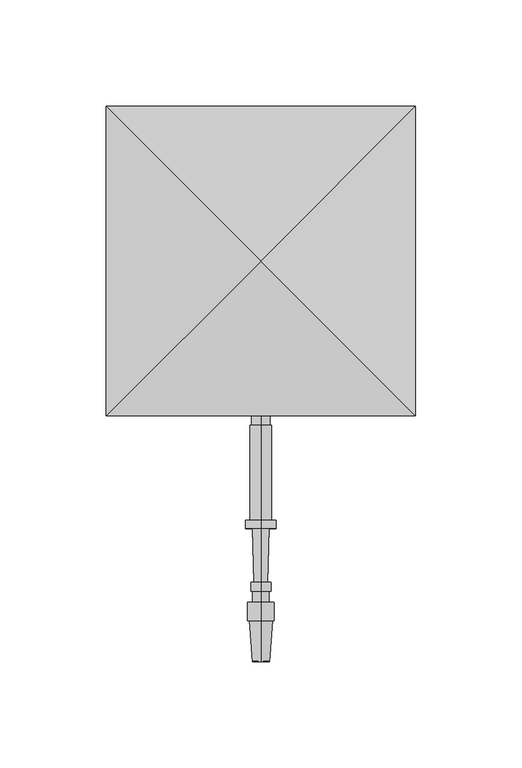
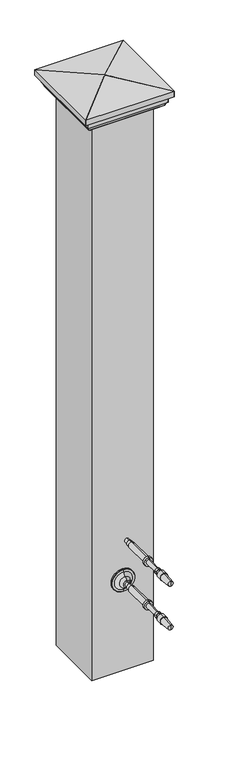
"""IFC4 building model written with IfcOpenShell, lengths in millimetres: railing geometry."""

from ifc_helpers import new_model, si_unit, point, frame, origin, place, context, project, spatial, polyline, circle_curve, ellipse_curve, trimmed, outline, extrude, source, transform, mapped, element, save
from ifc_brep_helpers import plane_surface, cylinder_surface, revolved_surface, advanced_brep


def railing_0d87ca35(model_context):
    return source(origin(), model_context, "Body", "SolidModel", [
        advanced_brep(
        [(4097.4568095, 20251.1146682, 32759.0282881), (4097.4568095, 20251.1146682, 32766.1720381), (4097.4568095, 20251.1146682, 32762.6001631), (4097.4568095, 20126.170779, 32762.6001631), (4097.4568095, 20125.8751146, 32766.6246235), (4097.4568095, 20125.8751146, 32758.5757028), (4097.4568095, 20145.2184786, 32768.045719), (4097.4568095, 20145.2184786, 32757.1546072), (4097.4568095, 20145.2184786, 32768.9386877), (4097.4568095, 20145.2184786, 32756.2616385), (4097.4568095, 20153.8505098, 32768.9386877), (4097.4568095, 20153.8505098, 32756.2616385), (4097.4568095, 20153.8505098, 32766.5574377), (4097.4568095, 20153.8505098, 32758.6428885), (4097.4568095, 20159.2083223, 32766.5574377), (4097.4568095, 20159.2083223, 32758.6428885), (4097.4568095, 20159.2083223, 32767.3511877), (4097.4568095, 20159.2083223, 32757.8491385), (4097.4568095, 20163.2762911, 32767.3511877), (4097.4568095, 20163.2762911, 32757.8491385), (4097.4568095, 20163.3203782, 32765.7643), (4097.4568095, 20163.3203782, 32759.4360262), (4097.4568095, 20188.7105814, 32766.4696944), (4097.4568095, 20188.7105814, 32758.7306319), (4097.4568095, 20188.7105814, 32769.7439131), (4097.4568095, 20188.7105814, 32755.4564131), (4097.4568095, 20192.6793314, 32769.7439131), (4097.4568095, 20192.6793314, 32755.4564131), (4097.4568095, 20192.6793314, 32767.7595381), (4097.4568095, 20192.6793314, 32757.4407881), (4097.4568095, 20237.4269877, 32767.7595381), (4097.4568095, 20237.4269877, 32757.4407881), (4097.4568095, 20237.4269877, 32766.9657881), (4097.4568095, 20237.4269877, 32758.2345381), (4097.4568095, 20243.7769877, 32766.9657881), (4097.4568095, 20243.7769877, 32758.2345381), (4097.4568095, 20243.7769877, 32766.1720381), (4097.4568095, 20243.7769877, 32759.0282881)],
        [
            (0, 1, circle_curve(frame((4097.4568095, 20251.1146682, 32762.6001631), z_axis=(0.0, 1.0, 0.0), x_axis=(0.0, 0.0, 1.0000000000000002)), 3.571875)),
            (1, 2),
            (2, 0),
            (1, 0, circle_curve(frame((4097.4568095, 20251.1146682, 32762.6001631), z_axis=(0.0, 1.0, 0.0), x_axis=(0.0, 0.0, 1.0000000000000002)), 3.571875)),
            (3, 4),
            (4, 5, circle_curve(frame((4097.4568095, 20125.8751146, 32762.6001631), z_axis=(0.0, -1.0, 0.0), x_axis=(0.0, 0.0, 1.0000000000000002)), 4.0244604)),
            (5, 3),
            (5, 4, circle_curve(frame((4097.4568095, 20125.8751146, 32762.6001631), z_axis=(0.0, -1.0, 0.0), x_axis=(0.0, 0.0, 1.0000000000000002)), 4.0244604)),
            (4, 6),
            (6, 7, circle_curve(frame((4097.4568095, 20145.2184786, 32762.6001631), z_axis=(0.0, -1.0, 0.0), x_axis=(0.0, 0.0, 1.0000000000000002)), 5.4455559)),
            (7, 5),
            (7, 6, circle_curve(frame((4097.4568095, 20145.2184786, 32762.6001631), z_axis=(0.0, -1.0, 0.0), x_axis=(0.0, 0.0, 1.0000000000000002)), 5.4455559)),
            (6, 8),
            (8, 9, circle_curve(frame((4097.4568095, 20145.2184786, 32762.6001631), z_axis=(0.0, -1.0, 0.0), x_axis=(0.0, 0.0, 1.0000000000000002)), 6.3385246)),
            (9, 7),
            (9, 8, circle_curve(frame((4097.4568095, 20145.2184786, 32762.6001631), z_axis=(0.0, -1.0, 0.0), x_axis=(0.0, 0.0, 1.0000000000000002)), 6.3385246)),
            (8, 10),
            (10, 11, circle_curve(frame((4097.4568095, 20153.8505098, 32762.6001631), z_axis=(0.0, -1.0, 0.0), x_axis=(0.0, 0.0, 1.0000000000000002)), 6.3385246)),
            (11, 9),
            (11, 10, circle_curve(frame((4097.4568095, 20153.8505098, 32762.6001631), z_axis=(0.0, -1.0, 0.0), x_axis=(0.0, 0.0, 1.0000000000000002)), 6.3385246)),
            (10, 12),
            (12, 13, circle_curve(frame((4097.4568095, 20153.8505098, 32762.6001631), z_axis=(0.0, -1.0, 0.0), x_axis=(0.0, 0.0, 1.0000000000000002)), 3.9572746)),
            (13, 11),
            (13, 12, circle_curve(frame((4097.4568095, 20153.8505098, 32762.6001631), z_axis=(0.0, -1.0, 0.0), x_axis=(0.0, 0.0, 1.0000000000000002)), 3.9572746)),
            (12, 14),
            (14, 15, circle_curve(frame((4097.4568095, 20159.2083223, 32762.6001631), z_axis=(0.0, -1.0, 0.0), x_axis=(0.0, 0.0, 1.0000000000000002)), 3.9572746)),
            (15, 13),
            (15, 14, circle_curve(frame((4097.4568095, 20159.2083223, 32762.6001631), z_axis=(0.0, -1.0, 0.0), x_axis=(0.0, 0.0, 1.0000000000000002)), 3.9572746)),
            (14, 16),
            (16, 17, circle_curve(frame((4097.4568095, 20159.2083223, 32762.6001631), z_axis=(0.0, -1.0, 0.0), x_axis=(0.0, 0.0, 1.0000000000000002)), 4.7510246)),
            (17, 15),
            (17, 16, circle_curve(frame((4097.4568095, 20159.2083223, 32762.6001631), z_axis=(0.0, -1.0, 0.0), x_axis=(0.0, 0.0, 1.0000000000000002)), 4.7510246)),
            (16, 18),
            (18, 19, circle_curve(frame((4097.4568095, 20163.2762911, 32762.6001631), z_axis=(0.0, -1.0, 0.0), x_axis=(0.0, 0.0, 1.0000000000000002)), 4.7510246)),
            (19, 17),
            (19, 18, circle_curve(frame((4097.4568095, 20163.2762911, 32762.6001631), z_axis=(0.0, -1.0, 0.0), x_axis=(0.0, 0.0, 1.0000000000000002)), 4.7510246)),
            (18, 20),
            (20, 21, circle_curve(frame((4097.4568095, 20163.3203782, 32762.6001631), z_axis=(0.0, -1.0, 0.0), x_axis=(0.0, 0.0, 1.0000000000000002)), 3.1641369)),
            (21, 19),
            (21, 20, circle_curve(frame((4097.4568095, 20163.3203782, 32762.6001631), z_axis=(0.0, -1.0, 0.0), x_axis=(0.0, 0.0, 1.0000000000000002)), 3.1641369)),
            (20, 22),
            (22, 23, circle_curve(frame((4097.4568095, 20188.7105814, 32762.6001631), z_axis=(0.0, -1.0, 0.0), x_axis=(0.0, 0.0, 1.0000000000000002)), 3.8695313)),
            (23, 21),
            (23, 22, circle_curve(frame((4097.4568095, 20188.7105814, 32762.6001631), z_axis=(0.0, -1.0, 0.0), x_axis=(0.0, 0.0, 1.0000000000000002)), 3.8695313)),
            (22, 24),
            (24, 25, circle_curve(frame((4097.4568095, 20188.7105814, 32762.6001631), z_axis=(0.0, -1.0, 0.0), x_axis=(0.0, 0.0, 1.0000000000000002)), 7.14375)),
            (25, 23),
            (25, 24, circle_curve(frame((4097.4568095, 20188.7105814, 32762.6001631), z_axis=(0.0, -1.0, 0.0), x_axis=(0.0, 0.0, 1.0000000000000002)), 7.14375)),
            (24, 26),
            (26, 27, circle_curve(frame((4097.4568095, 20192.6793314, 32762.6001631), z_axis=(0.0, -1.0, 0.0), x_axis=(0.0, 0.0, 1.0000000000000002)), 7.14375)),
            (27, 25),
            (27, 26, circle_curve(frame((4097.4568095, 20192.6793314, 32762.6001631), z_axis=(0.0, -1.0, 0.0), x_axis=(0.0, 0.0, 1.0000000000000002)), 7.14375)),
            (26, 28),
            (28, 29, circle_curve(frame((4097.4568095, 20192.6793314, 32762.6001631), z_axis=(0.0, -1.0, 0.0), x_axis=(0.0, 0.0, 1.0000000000000002)), 5.159375)),
            (29, 27),
            (29, 28, circle_curve(frame((4097.4568095, 20192.6793314, 32762.6001631), z_axis=(0.0, -1.0, 0.0), x_axis=(0.0, 0.0, 1.0000000000000002)), 5.159375)),
            (28, 30),
            (30, 31, circle_curve(frame((4097.4568095, 20237.4269877, 32762.6001631), z_axis=(0.0, -1.0, 0.0), x_axis=(0.0, 0.0, 1.0000000000000002)), 5.159375)),
            (31, 29),
            (31, 30, circle_curve(frame((4097.4568095, 20237.4269877, 32762.6001631), z_axis=(0.0, -1.0, 0.0), x_axis=(0.0, 0.0, 1.0000000000000002)), 5.159375)),
            (30, 32),
            (32, 33, circle_curve(frame((4097.4568095, 20237.4269877, 32762.6001631), z_axis=(0.0, -1.0, 0.0), x_axis=(0.0, 0.0, 1.0000000000000002)), 4.365625)),
            (33, 31),
            (33, 32, circle_curve(frame((4097.4568095, 20237.4269877, 32762.6001631), z_axis=(0.0, -1.0, 0.0), x_axis=(0.0, 0.0, 1.0000000000000002)), 4.365625)),
            (32, 34),
            (34, 35, circle_curve(frame((4097.4568095, 20243.7769877, 32762.6001631), z_axis=(0.0, -1.0, 0.0), x_axis=(0.0, 0.0, 1.0000000000000002)), 4.365625)),
            (35, 33),
            (35, 34, circle_curve(frame((4097.4568095, 20243.7769877, 32762.6001631), z_axis=(0.0, -1.0, 0.0), x_axis=(0.0, 0.0, 1.0000000000000002)), 4.365625)),
            (34, 36),
            (36, 37, circle_curve(frame((4097.4568095, 20243.7769877, 32762.6001631), z_axis=(0.0, -1.0, 0.0), x_axis=(0.0, 0.0, 1.0000000000000002)), 3.571875)),
            (37, 35),
            (37, 36, circle_curve(frame((4097.4568095, 20243.7769877, 32762.6001631), z_axis=(0.0, -1.0, 0.0), x_axis=(0.0, 0.0, 1.0000000000000002)), 3.571875)),
            (36, 1),
            (0, 37),
        ],
        [
            plane_surface(frame((4097.4568095, 20251.1146682, 32762.6001631), z_axis=(0.0, 1.0, 0.0), x_axis=(0.0, 0.0, 1.0))),
            revolved_surface(polyline([(4097.4568095, 20125.8751146, 32766.6246235), (4097.4568095, 20126.170779, 32762.6001631)]), (4097.4568095, 20126.170779, 32762.6001631), (0.0, -1.0, 0.0)),
            revolved_surface(polyline([(4097.4568095, 20145.2184786, 32768.045719), (4097.4568095, 20125.8751146, 32766.6246235)]), (4097.4568095, 20126.170779, 32762.6001631), (0.0, -1.0, 0.0)),
            plane_surface(frame((4097.4568095, 20145.2184786, 32762.6001631), z_axis=(0.0, -1.0, 0.0), x_axis=(0.0, 0.0, 1.0))),
            cylinder_surface(frame((4097.4568095, 20126.170779, 32762.6001631), z_axis=(0.0, -1.0, 0.0), x_axis=(0.0, 0.0, 1.0000000000000002)), 6.3385246),
            plane_surface(frame((4097.4568095, 20153.8505098, 32762.6001631), z_axis=(0.0, 1.0, 0.0), x_axis=(0.0, 0.0, 1.0))),
            cylinder_surface(frame((4097.4568095, 20126.170779, 32762.6001631), z_axis=(0.0, -1.0, 0.0), x_axis=(0.0, 0.0, 1.0000000000000002)), 3.9572746),
            plane_surface(frame((4097.4568095, 20159.2083223, 32762.6001631), z_axis=(0.0, -1.0, 0.0), x_axis=(0.0, 0.0, 1.0))),
            cylinder_surface(frame((4097.4568095, 20126.170779, 32762.6001631), z_axis=(0.0, -1.0, 0.0), x_axis=(0.0, 0.0, 1.0000000000000002)), 4.7510246),
            plane_surface(frame((4097.4568095, 20163.3203782, 32762.6001631), z_axis=(0.0, 1.0, 0.0), x_axis=(0.0, 0.0, 1.0))),
            revolved_surface(polyline([(4097.4568095, 20188.7105814, 32766.4696944), (4097.4568095, 20163.3203782, 32765.7643)]), (4097.4568095, 20126.170779, 32762.6001631), (0.0, -1.0, 0.0)),
            plane_surface(frame((4097.4568095, 20188.7105814, 32762.6001631), z_axis=(0.0, -1.0, 0.0), x_axis=(0.0, 0.0, 1.0))),
            cylinder_surface(frame((4097.4568095, 20126.170779, 32762.6001631), z_axis=(0.0, -1.0, 0.0), x_axis=(0.0, 0.0, 1.0000000000000002)), 7.14375),
            plane_surface(frame((4097.4568095, 20192.6793314, 32762.6001631), z_axis=(0.0, 1.0, 0.0), x_axis=(0.0, 0.0, 1.0))),
            cylinder_surface(frame((4097.4568095, 20126.170779, 32762.6001631), z_axis=(0.0, -1.0, 0.0), x_axis=(0.0, 0.0, 1.0000000000000002)), 5.159375),
            plane_surface(frame((4097.4568095, 20237.4269877, 32762.6001631), z_axis=(0.0, 1.0, 0.0), x_axis=(0.0, 0.0, 1.0))),
            cylinder_surface(frame((4097.4568095, 20126.170779, 32762.6001631), z_axis=(0.0, -1.0, 0.0), x_axis=(0.0, 0.0, 1.0000000000000002)), 4.365625),
            plane_surface(frame((4097.4568095, 20243.7769877, 32762.6001631), z_axis=(0.0, 1.0, 0.0), x_axis=(0.0, 0.0, 1.0))),
            cylinder_surface(frame((4097.4568095, 20126.170779, 32762.6001631), z_axis=(0.0, -1.0, 0.0), x_axis=(0.0, 0.0, 1.0000000000000002)), 3.571875),
        ],
        [
            (0, [[1, 2, 3]]),
            (0, [[4, -3, -2]]),
            (1, [[5, 6, 7]]),
            (1, [[-7, 8, -5]]),
            (2, [[-6, 9, 10, 11]]),
            (2, [[-8, -11, 12, -9]]),
            (3, [[-10, 13, 14, 15]]),
            (3, [[-12, -15, 16, -13]]),
            (4, [[-14, 17, 18, 19]]),
            (4, [[-16, -19, 20, -17]]),
            (5, [[-18, 21, 22, 23]]),
            (5, [[-20, -23, 24, -21]]),
            (6, [[-22, 25, 26, 27]]),
            (6, [[-24, -27, 28, -25]]),
            (7, [[-26, 29, 30, 31]]),
            (7, [[-28, -31, 32, -29]]),
            (8, [[-30, 33, 34, 35]]),
            (8, [[-32, -35, 36, -33]]),
            (9, [[-34, 37, 38, 39]]),
            (9, [[-36, -39, 40, -37]]),
            (10, [[-38, 41, 42, 43]]),
            (10, [[-40, -43, 44, -41]]),
            (11, [[-42, 45, 46, 47]]),
            (11, [[-44, -47, 48, -45]]),
            (12, [[-46, 49, 50, 51]]),
            (12, [[-48, -51, 52, -49]]),
            (13, [[-50, 53, 54, 55]]),
            (13, [[-52, -55, 56, -53]]),
            (14, [[-54, 57, 58, 59]]),
            (14, [[-56, -59, 60, -57]]),
            (15, [[-58, 61, 62, 63]]),
            (15, [[-60, -63, 64, -61]]),
            (16, [[-62, 65, 66, 67]]),
            (16, [[-64, -67, 68, -65]]),
            (17, [[-66, 69, 70, 71]]),
            (17, [[-68, -71, 72, -69]]),
            (18, [[-70, 73, -1, 74]]),
            (18, [[-72, -74, -4, -73]]),
        ],
    ),
        advanced_brep(
        [(4097.4568095, 20263.8073048, 32686.4001631), (4097.4568095, 20263.8073048, 32667.3501631), (4097.4568095, 20263.8073048, 32705.4501631), (4097.4568095, 20251.1146682, 32680.8769785), (4097.4568095, 20251.1146682, 32686.4001631), (4097.4568095, 20251.1146682, 32691.9233478), (4097.4568095, 20256.3907646, 32677.2720381), (4097.4568095, 20256.3907646, 32695.5282881), (4097.4568095, 20260.7563896, 32671.6458254), (4097.4568095, 20260.7563896, 32701.1545009), (4097.4568095, 20260.7563896, 32667.7762941), (4097.4568095, 20260.7563896, 32705.0240321), (4097.4568095, 20261.4260548, 32667.3501631), (4097.4568095, 20261.4260548, 32705.4501631)],
        [
            (0, 1),
            (1, 2, circle_curve(frame((4097.4568095, 20263.8073048, 32686.4001631), z_axis=(0.0, 1.0, 0.0), x_axis=(0.0, 0.0, 1.0)), 19.05)),
            (2, 0),
            (2, 1, circle_curve(frame((4097.4568095, 20263.8073048, 32686.4001631), z_axis=(0.0, 1.0, 0.0), x_axis=(0.0, 0.0, 1.0)), 19.05)),
            (3, 4),
            (4, 5),
            (5, 3, circle_curve(frame((4097.4568095, 20251.1146682, 32686.4001631), z_axis=(0.0, -1.0, 0.0), x_axis=(0.0, 0.0, 1.0)), 5.5231846)),
            (3, 5, circle_curve(frame((4097.4568095, 20251.1146682, 32686.4001631), z_axis=(0.0, -1.0, 0.0), x_axis=(0.0, 0.0, 1.0)), 5.5231846)),
            (6, 3, circle_curve(frame((4097.4568095, 20258.7151733, 32686.3374304), z_axis=(-1.0, 0.0, 0.0), x_axis=(0.0, -1.0, 0.0)), 9.3586438)),
            (5, 7, circle_curve(frame((4097.4568095, 20258.7151733, 32686.4628958), z_axis=(-1.0, 0.0, 0.0), x_axis=(0.0, -1.0, 0.0)), 9.3586438)),
            (7, 6, circle_curve(frame((4097.4568095, 20256.3907646, 32686.4001631), z_axis=(0.0, -1.0, 0.0), x_axis=(0.0, 0.0, 1.0)), 9.128125)),
            (6, 7, circle_curve(frame((4097.4568095, 20256.3907646, 32686.4001631), z_axis=(0.0, -1.0, 0.0), x_axis=(0.0, 0.0, 1.0)), 9.128125)),
            (8, 6, circle_curve(frame((4097.4568095, 20254.9481776, 32671.6458254), z_axis=(1.0, 0.0, 0.0), x_axis=(0.0, -1.0, 0.0)), 5.8082121)),
            (7, 9, circle_curve(frame((4097.4568095, 20254.9481776, 32701.1545009), z_axis=(1.0, 0.0, 0.0), x_axis=(0.0, -1.0, 0.0)), 5.8082121)),
            (9, 8, circle_curve(frame((4097.4568095, 20260.7563896, 32686.4001631), z_axis=(0.0, -1.0, 0.0), x_axis=(0.0, 0.0, 1.0)), 14.7543378)),
            (8, 9, circle_curve(frame((4097.4568095, 20260.7563896, 32686.4001631), z_axis=(0.0, -1.0, 0.0), x_axis=(0.0, 0.0, 1.0)), 14.7543378)),
            (10, 8),
            (9, 11),
            (11, 10, circle_curve(frame((4097.4568095, 20260.7563896, 32686.4001631), z_axis=(0.0, -1.0, 0.0), x_axis=(0.0, 0.0, 1.0)), 18.623869)),
            (10, 11, circle_curve(frame((4097.4568095, 20260.7563896, 32686.4001631), z_axis=(0.0, -1.0, 0.0), x_axis=(0.0, 0.0, 1.0)), 18.623869)),
            (12, 10),
            (11, 13),
            (13, 12, circle_curve(frame((4097.4568095, 20261.4260548, 32686.4001631), z_axis=(0.0, -1.0, 0.0), x_axis=(0.0, 0.0, 1.0)), 19.05)),
            (12, 13, circle_curve(frame((4097.4568095, 20261.4260548, 32686.4001631), z_axis=(0.0, -1.0, 0.0), x_axis=(0.0, 0.0, 1.0)), 19.05)),
            (1, 12),
            (13, 2),
        ],
        [
            plane_surface(frame((4097.4568095, 20263.8073048, 32686.4001631), z_axis=(0.0, 1.0, 0.0), x_axis=(0.0, 0.0, 1.0))),
            plane_surface(frame((4097.4568095, 20251.1146682, 32686.4001631), z_axis=(0.0, -1.0, 0.0), x_axis=(0.0, 0.0, 1.0))),
            revolved_surface(trimmed(ellipse_curve(frame((4097.4568095, 20258.7151733, 32686.4628958), z_axis=(-1.0, 0.0, 0.0), x_axis=(0.0, -1.0, 0.0)), 9.3586438, 9.3586438), [point((4097.4568095, 20251.1146682, 32691.9233478))], [point((4097.4568095, 20256.3907646, 32695.5282881))], True, "CARTESIAN"), (4097.4568095, 20263.8073048, 32686.4001631), (0.0, 1.0, 0.0)),
            revolved_surface(trimmed(ellipse_curve(frame((4097.4568095, 20254.9481776, 32701.1545009), z_axis=(1.0, 0.0, 0.0), x_axis=(0.0, -1.0, 0.0)), 5.8082121, 5.8082121), [point((4097.4568095, 20256.3907646, 32695.5282881))], [point((4097.4568095, 20260.7563896, 32701.1545009))], True, "CARTESIAN"), (4097.4568095, 20263.8073048, 32686.4001631), (0.0, 1.0, 0.0)),
            plane_surface(frame((4097.4568095, 20260.7563896, 32686.4001631), z_axis=(0.0, -1.0, 0.0), x_axis=(0.0, 0.0, 1.0))),
            revolved_surface(polyline([(4097.4568095, 20260.7563896, 32705.0240321), (4097.4568095, 20261.4260548, 32705.4501631)]), (4097.4568095, 20263.8073048, 32686.4001631), (0.0, 1.0, 0.0)),
            cylinder_surface(frame((4097.4568095, 20263.8073048, 32686.4001631), z_axis=(0.0, 1.0, 0.0), x_axis=(0.0, 0.0, 1.0)), 19.05),
        ],
        [
            (0, [[1, 2, 3]]),
            (0, [[-3, 4, -1]]),
            (1, [[5, 6, 7]]),
            (1, [[-6, -5, 8]]),
            (2, [[9, -7, 10, 11]]),
            (2, [[-10, -8, -9, 12]]),
            (3, [[13, -11, 14, 15]]),
            (3, [[-14, -12, -13, 16]]),
            (4, [[17, -15, 18, 19]]),
            (4, [[-18, -16, -17, 20]]),
            (5, [[21, -19, 22, 23]]),
            (5, [[-22, -20, -21, 24]]),
            (6, [[25, -23, 26, -2]]),
            (6, [[-26, -24, -25, -4]]),
        ],
    ),
        advanced_brep(
        [(4097.4568095, 20251.1146682, 32682.8282881), (4097.4568095, 20251.1146682, 32689.9720381), (4097.4568095, 20251.1146682, 32686.4001631), (4097.4568095, 20126.170779, 32686.4001631), (4097.4568095, 20125.8751146, 32690.4246235), (4097.4568095, 20125.8751146, 32682.3757028), (4097.4568095, 20145.2184786, 32691.845719), (4097.4568095, 20145.2184786, 32680.9546072), (4097.4568095, 20145.2184786, 32692.7386877), (4097.4568095, 20145.2184786, 32680.0616385), (4097.4568095, 20153.8505098, 32692.7386877), (4097.4568095, 20153.8505098, 32680.0616385), (4097.4568095, 20153.8505098, 32690.3574377), (4097.4568095, 20153.8505098, 32682.4428885), (4097.4568095, 20159.2083223, 32690.3574377), (4097.4568095, 20159.2083223, 32682.4428885), (4097.4568095, 20159.2083223, 32691.1511877), (4097.4568095, 20159.2083223, 32681.6491385), (4097.4568095, 20163.2762911, 32691.1511877), (4097.4568095, 20163.2762911, 32681.6491385), (4097.4568095, 20163.3203782, 32689.5643), (4097.4568095, 20163.3203782, 32683.2360262), (4097.4568095, 20188.7105814, 32690.2696944), (4097.4568095, 20188.7105814, 32682.5306319), (4097.4568095, 20188.7105814, 32693.5439131), (4097.4568095, 20188.7105814, 32679.2564131), (4097.4568095, 20192.6793314, 32693.5439131), (4097.4568095, 20192.6793314, 32679.2564131), (4097.4568095, 20192.6793314, 32691.5595381), (4097.4568095, 20192.6793314, 32681.2407881), (4097.4568095, 20237.4269877, 32691.5595381), (4097.4568095, 20237.4269877, 32681.2407881), (4097.4568095, 20237.4269877, 32690.7657881), (4097.4568095, 20237.4269877, 32682.0345381), (4097.4568095, 20243.7769877, 32690.7657881), (4097.4568095, 20243.7769877, 32682.0345381), (4097.4568095, 20243.7769877, 32689.9720381), (4097.4568095, 20243.7769877, 32682.8282881)],
        [
            (0, 1, circle_curve(frame((4097.4568095, 20251.1146682, 32686.4001631), z_axis=(0.0, 1.0, 0.0), x_axis=(0.0, 0.0, 1.0000000000000002)), 3.571875)),
            (1, 2),
            (2, 0),
            (1, 0, circle_curve(frame((4097.4568095, 20251.1146682, 32686.4001631), z_axis=(0.0, 1.0, 0.0), x_axis=(0.0, 0.0, 1.0000000000000002)), 3.571875)),
            (3, 4),
            (4, 5, circle_curve(frame((4097.4568095, 20125.8751146, 32686.4001631), z_axis=(0.0, -1.0, 0.0), x_axis=(0.0, 0.0, 1.0000000000000002)), 4.0244604)),
            (5, 3),
            (5, 4, circle_curve(frame((4097.4568095, 20125.8751146, 32686.4001631), z_axis=(0.0, -1.0, 0.0), x_axis=(0.0, 0.0, 1.0000000000000002)), 4.0244604)),
            (4, 6),
            (6, 7, circle_curve(frame((4097.4568095, 20145.2184786, 32686.4001631), z_axis=(0.0, -1.0, 0.0), x_axis=(0.0, 0.0, 1.0000000000000002)), 5.4455559)),
            (7, 5),
            (7, 6, circle_curve(frame((4097.4568095, 20145.2184786, 32686.4001631), z_axis=(0.0, -1.0, 0.0), x_axis=(0.0, 0.0, 1.0000000000000002)), 5.4455559)),
            (6, 8),
            (8, 9, circle_curve(frame((4097.4568095, 20145.2184786, 32686.4001631), z_axis=(0.0, -1.0, 0.0), x_axis=(0.0, 0.0, 1.0000000000000002)), 6.3385246)),
            (9, 7),
            (9, 8, circle_curve(frame((4097.4568095, 20145.2184786, 32686.4001631), z_axis=(0.0, -1.0, 0.0), x_axis=(0.0, 0.0, 1.0000000000000002)), 6.3385246)),
            (8, 10),
            (10, 11, circle_curve(frame((4097.4568095, 20153.8505098, 32686.4001631), z_axis=(0.0, -1.0, 0.0), x_axis=(0.0, 0.0, 1.0000000000000002)), 6.3385246)),
            (11, 9),
            (11, 10, circle_curve(frame((4097.4568095, 20153.8505098, 32686.4001631), z_axis=(0.0, -1.0, 0.0), x_axis=(0.0, 0.0, 1.0000000000000002)), 6.3385246)),
            (10, 12),
            (12, 13, circle_curve(frame((4097.4568095, 20153.8505098, 32686.4001631), z_axis=(0.0, -1.0, 0.0), x_axis=(0.0, 0.0, 1.0000000000000002)), 3.9572746)),
            (13, 11),
            (13, 12, circle_curve(frame((4097.4568095, 20153.8505098, 32686.4001631), z_axis=(0.0, -1.0, 0.0), x_axis=(0.0, 0.0, 1.0000000000000002)), 3.9572746)),
            (12, 14),
            (14, 15, circle_curve(frame((4097.4568095, 20159.2083223, 32686.4001631), z_axis=(0.0, -1.0, 0.0), x_axis=(0.0, 0.0, 1.0000000000000002)), 3.9572746)),
            (15, 13),
            (15, 14, circle_curve(frame((4097.4568095, 20159.2083223, 32686.4001631), z_axis=(0.0, -1.0, 0.0), x_axis=(0.0, 0.0, 1.0000000000000002)), 3.9572746)),
            (14, 16),
            (16, 17, circle_curve(frame((4097.4568095, 20159.2083223, 32686.4001631), z_axis=(0.0, -1.0, 0.0), x_axis=(0.0, 0.0, 1.0000000000000002)), 4.7510246)),
            (17, 15),
            (17, 16, circle_curve(frame((4097.4568095, 20159.2083223, 32686.4001631), z_axis=(0.0, -1.0, 0.0), x_axis=(0.0, 0.0, 1.0000000000000002)), 4.7510246)),
            (16, 18),
            (18, 19, circle_curve(frame((4097.4568095, 20163.2762911, 32686.4001631), z_axis=(0.0, -1.0, 0.0), x_axis=(0.0, 0.0, 1.0000000000000002)), 4.7510246)),
            (19, 17),
            (19, 18, circle_curve(frame((4097.4568095, 20163.2762911, 32686.4001631), z_axis=(0.0, -1.0, 0.0), x_axis=(0.0, 0.0, 1.0000000000000002)), 4.7510246)),
            (18, 20),
            (20, 21, circle_curve(frame((4097.4568095, 20163.3203782, 32686.4001631), z_axis=(0.0, -1.0, 0.0), x_axis=(0.0, 0.0, 1.0000000000000002)), 3.1641369)),
            (21, 19),
            (21, 20, circle_curve(frame((4097.4568095, 20163.3203782, 32686.4001631), z_axis=(0.0, -1.0, 0.0), x_axis=(0.0, 0.0, 1.0000000000000002)), 3.1641369)),
            (20, 22),
            (22, 23, circle_curve(frame((4097.4568095, 20188.7105814, 32686.4001631), z_axis=(0.0, -1.0, 0.0), x_axis=(0.0, 0.0, 1.0000000000000002)), 3.8695313)),
            (23, 21),
            (23, 22, circle_curve(frame((4097.4568095, 20188.7105814, 32686.4001631), z_axis=(0.0, -1.0, 0.0), x_axis=(0.0, 0.0, 1.0000000000000002)), 3.8695313)),
            (22, 24),
            (24, 25, circle_curve(frame((4097.4568095, 20188.7105814, 32686.4001631), z_axis=(0.0, -1.0, 0.0), x_axis=(0.0, 0.0, 1.0000000000000002)), 7.14375)),
            (25, 23),
            (25, 24, circle_curve(frame((4097.4568095, 20188.7105814, 32686.4001631), z_axis=(0.0, -1.0, 0.0), x_axis=(0.0, 0.0, 1.0000000000000002)), 7.14375)),
            (24, 26),
            (26, 27, circle_curve(frame((4097.4568095, 20192.6793314, 32686.4001631), z_axis=(0.0, -1.0, 0.0), x_axis=(0.0, 0.0, 1.0000000000000002)), 7.14375)),
            (27, 25),
            (27, 26, circle_curve(frame((4097.4568095, 20192.6793314, 32686.4001631), z_axis=(0.0, -1.0, 0.0), x_axis=(0.0, 0.0, 1.0000000000000002)), 7.14375)),
            (26, 28),
            (28, 29, circle_curve(frame((4097.4568095, 20192.6793314, 32686.4001631), z_axis=(0.0, -1.0, 0.0), x_axis=(0.0, 0.0, 1.0000000000000002)), 5.159375)),
            (29, 27),
            (29, 28, circle_curve(frame((4097.4568095, 20192.6793314, 32686.4001631), z_axis=(0.0, -1.0, 0.0), x_axis=(0.0, 0.0, 1.0000000000000002)), 5.159375)),
            (28, 30),
            (30, 31, circle_curve(frame((4097.4568095, 20237.4269877, 32686.4001631), z_axis=(0.0, -1.0, 0.0), x_axis=(0.0, 0.0, 1.0000000000000002)), 5.159375)),
            (31, 29),
            (31, 30, circle_curve(frame((4097.4568095, 20237.4269877, 32686.4001631), z_axis=(0.0, -1.0, 0.0), x_axis=(0.0, 0.0, 1.0000000000000002)), 5.159375)),
            (30, 32),
            (32, 33, circle_curve(frame((4097.4568095, 20237.4269877, 32686.4001631), z_axis=(0.0, -1.0, 0.0), x_axis=(0.0, 0.0, 1.0000000000000002)), 4.365625)),
            (33, 31),
            (33, 32, circle_curve(frame((4097.4568095, 20237.4269877, 32686.4001631), z_axis=(0.0, -1.0, 0.0), x_axis=(0.0, 0.0, 1.0000000000000002)), 4.365625)),
            (32, 34),
            (34, 35, circle_curve(frame((4097.4568095, 20243.7769877, 32686.4001631), z_axis=(0.0, -1.0, 0.0), x_axis=(0.0, 0.0, 1.0000000000000002)), 4.365625)),
            (35, 33),
            (35, 34, circle_curve(frame((4097.4568095, 20243.7769877, 32686.4001631), z_axis=(0.0, -1.0, 0.0), x_axis=(0.0, 0.0, 1.0000000000000002)), 4.365625)),
            (34, 36),
            (36, 37, circle_curve(frame((4097.4568095, 20243.7769877, 32686.4001631), z_axis=(0.0, -1.0, 0.0), x_axis=(0.0, 0.0, 1.0000000000000002)), 3.571875)),
            (37, 35),
            (37, 36, circle_curve(frame((4097.4568095, 20243.7769877, 32686.4001631), z_axis=(0.0, -1.0, 0.0), x_axis=(0.0, 0.0, 1.0000000000000002)), 3.571875)),
            (36, 1),
            (0, 37),
        ],
        [
            plane_surface(frame((4097.4568095, 20251.1146682, 32686.4001631), z_axis=(0.0, 1.0, 0.0), x_axis=(0.0, 0.0, 1.0))),
            revolved_surface(polyline([(4097.4568095, 20125.8751146, 32690.4246235), (4097.4568095, 20126.170779, 32686.4001631)]), (4097.4568095, 20126.170779, 32686.4001631), (0.0, -1.0, 0.0)),
            revolved_surface(polyline([(4097.4568095, 20145.2184786, 32691.845719), (4097.4568095, 20125.8751146, 32690.4246235)]), (4097.4568095, 20126.170779, 32686.4001631), (0.0, -1.0, 0.0)),
            plane_surface(frame((4097.4568095, 20145.2184786, 32686.4001631), z_axis=(0.0, -1.0, 0.0), x_axis=(0.0, 0.0, 1.0))),
            cylinder_surface(frame((4097.4568095, 20126.170779, 32686.4001631), z_axis=(0.0, -1.0, 0.0), x_axis=(0.0, 0.0, 1.0000000000000002)), 6.3385246),
            plane_surface(frame((4097.4568095, 20153.8505098, 32686.4001631), z_axis=(0.0, 1.0, 0.0), x_axis=(0.0, 0.0, 1.0))),
            cylinder_surface(frame((4097.4568095, 20126.170779, 32686.4001631), z_axis=(0.0, -1.0, 0.0), x_axis=(0.0, 0.0, 1.0000000000000002)), 3.9572746),
            plane_surface(frame((4097.4568095, 20159.2083223, 32686.4001631), z_axis=(0.0, -1.0, 0.0), x_axis=(0.0, 0.0, 1.0))),
            cylinder_surface(frame((4097.4568095, 20126.170779, 32686.4001631), z_axis=(0.0, -1.0, 0.0), x_axis=(0.0, 0.0, 1.0000000000000002)), 4.7510246),
            plane_surface(frame((4097.4568095, 20163.3203782, 32686.4001631), z_axis=(0.0, 1.0, 0.0), x_axis=(0.0, 0.0, 1.0))),
            revolved_surface(polyline([(4097.4568095, 20188.7105814, 32690.2696944), (4097.4568095, 20163.3203782, 32689.5643)]), (4097.4568095, 20126.170779, 32686.4001631), (0.0, -1.0, 0.0)),
            plane_surface(frame((4097.4568095, 20188.7105814, 32686.4001631), z_axis=(0.0, -1.0, 0.0), x_axis=(0.0, 0.0, 1.0))),
            cylinder_surface(frame((4097.4568095, 20126.170779, 32686.4001631), z_axis=(0.0, -1.0, 0.0), x_axis=(0.0, 0.0, 1.0000000000000002)), 7.14375),
            plane_surface(frame((4097.4568095, 20192.6793314, 32686.4001631), z_axis=(0.0, 1.0, 0.0), x_axis=(0.0, 0.0, 1.0))),
            cylinder_surface(frame((4097.4568095, 20126.170779, 32686.4001631), z_axis=(0.0, -1.0, 0.0), x_axis=(0.0, 0.0, 1.0000000000000002)), 5.159375),
            plane_surface(frame((4097.4568095, 20237.4269877, 32686.4001631), z_axis=(0.0, 1.0, 0.0), x_axis=(0.0, 0.0, 1.0))),
            cylinder_surface(frame((4097.4568095, 20126.170779, 32686.4001631), z_axis=(0.0, -1.0, 0.0), x_axis=(0.0, 0.0, 1.0000000000000002)), 4.365625),
            plane_surface(frame((4097.4568095, 20243.7769877, 32686.4001631), z_axis=(0.0, 1.0, 0.0), x_axis=(0.0, 0.0, 1.0))),
            cylinder_surface(frame((4097.4568095, 20126.170779, 32686.4001631), z_axis=(0.0, -1.0, 0.0), x_axis=(0.0, 0.0, 1.0000000000000002)), 3.571875),
        ],
        [
            (0, [[1, 2, 3]]),
            (0, [[4, -3, -2]]),
            (1, [[5, 6, 7]]),
            (1, [[-7, 8, -5]]),
            (2, [[-6, 9, 10, 11]]),
            (2, [[-8, -11, 12, -9]]),
            (3, [[-10, 13, 14, 15]]),
            (3, [[-12, -15, 16, -13]]),
            (4, [[-14, 17, 18, 19]]),
            (4, [[-16, -19, 20, -17]]),
            (5, [[-18, 21, 22, 23]]),
            (5, [[-20, -23, 24, -21]]),
            (6, [[-22, 25, 26, 27]]),
            (6, [[-24, -27, 28, -25]]),
            (7, [[-26, 29, 30, 31]]),
            (7, [[-28, -31, 32, -29]]),
            (8, [[-30, 33, 34, 35]]),
            (8, [[-32, -35, 36, -33]]),
            (9, [[-34, 37, 38, 39]]),
            (9, [[-36, -39, 40, -37]]),
            (10, [[-38, 41, 42, 43]]),
            (10, [[-40, -43, 44, -41]]),
            (11, [[-42, 45, 46, 47]]),
            (11, [[-44, -47, 48, -45]]),
            (12, [[-46, 49, 50, 51]]),
            (12, [[-48, -51, 52, -49]]),
            (13, [[-50, 53, 54, 55]]),
            (13, [[-52, -55, 56, -53]]),
            (14, [[-54, 57, 58, 59]]),
            (14, [[-56, -59, 60, -57]]),
            (15, [[-58, 61, 62, 63]]),
            (15, [[-60, -63, 64, -61]]),
            (16, [[-62, 65, 66, 67]]),
            (16, [[-64, -67, 68, -65]]),
            (17, [[-66, 69, 70, 71]]),
            (17, [[-68, -71, 72, -69]]),
            (18, [[-70, 73, -1, 74]]),
            (18, [[-72, -74, -4, -73]]),
        ],
    ),
        extrude(outline(polyline([(4046.6568095, 20365.424604), (4148.2568095, 20365.424604), (4148.2568095, 20263.824604), (4046.6568095, 20263.824604), (4046.6568095, 20365.424604)])), frame((0.0, 0.0, 32527.3789062), z_axis=(0.0, 0.0, 1.0), x_axis=(1.0, 0.0, 0.0)), (0.0, 0.0, 1.0), 965.2),
        advanced_brep(
        [(4170.4818095, 20387.649604, 33527.5039062), (4097.4568095, 20314.624604, 33537.0289063), (4170.4818095, 20241.599604, 33527.5039062), (4170.4818095, 20387.649604, 33517.9789062), (4170.4818095, 20241.599604, 33517.9789062), (4164.1318095, 20381.299604, 33517.9789062), (4164.1318095, 20247.949604, 33517.9789062), (4164.1318095, 20381.299604, 33506.8203026), (4164.1318095, 20247.949604, 33506.8203026), (4160.4607158, 20377.6285103, 33500.5164062), (4160.4607158, 20251.6206978, 33500.5164062), (4157.2857158, 20374.4535103, 33500.5164062), (4157.2857158, 20254.7956978, 33500.5164062), (4150.9357158, 20368.1035103, 33494.1664062), (4150.9357158, 20261.1456978, 33494.1664062), (4150.9357158, 20368.1035103, 33492.5789063), (4150.9357158, 20261.1456978, 33492.5789063), (4097.4568095, 20314.624604, 33492.5789063)],
        [
            (0, 1),
            (1, 2),
            (2, 0),
            (3, 0),
            (2, 4),
            (4, 3),
            (5, 3),
            (4, 6),
            (6, 5),
            (7, 5),
            (6, 8),
            (8, 7),
            (9, 7, ellipse_curve(frame((4173.1607158, 20390.3285103, 33497.3414063), z_axis=(-0.7071067811865447, 0.7071067811865505, 0.0), x_axis=(0.7071067811865505, 0.7071067811865446, 0.0)), 18.5132723, 13.0908604)),
            (8, 10, ellipse_curve(frame((4173.1607158, 20238.9206978, 33497.3414063), z_axis=(-0.7071067811865513, -0.7071067811865437, 0.0), x_axis=(-0.7071067811865436, 0.7071067811865513, 0.0)), 18.5132723, 13.0908604)),
            (10, 9),
            (11, 9),
            (10, 12),
            (12, 11),
            (13, 11, ellipse_curve(frame((4150.9357158, 20368.1035103, 33500.5164062), z_axis=(0.7071067811865447, -0.7071067811865505, 0.0), x_axis=(-0.7071067811865505, -0.7071067811865446, 0.0)), 8.9802561, 6.35)),
            (12, 14, ellipse_curve(frame((4150.9357158, 20261.1456978, 33500.5164062), z_axis=(0.7071067811865513, 0.7071067811865437, 0.0), x_axis=(0.7071067811865436, -0.7071067811865513, 0.0)), 8.9802561, 6.35)),
            (14, 13),
            (15, 13),
            (14, 16),
            (16, 15),
            (17, 15),
            (16, 17),
            (17, 1),
        ],
        [
            plane_surface(frame((4170.4818095, 20197.4228953, 33527.5039062), z_axis=(0.12933918406775016, 0.0, 0.9916004111862241), x_axis=(0.0, 1.0, 0.0))),
            plane_surface(frame((4170.4818095, 20197.4228953, 33517.9789062), z_axis=(1.0, 0.0, 0.0), x_axis=(0.0, 1.0, 0.0))),
            plane_surface(frame((4164.1318095, 20197.4228953, 33517.9789062), z_axis=(0.0, 0.0, -1.0), x_axis=(0.0, 1.0, 0.0))),
            plane_surface(frame((4164.1318095, 20197.4228953, 33506.8203026), z_axis=(1.0, 0.0, 0.0), x_axis=(0.0, 1.0, 0.0))),
            revolved_surface(polyline([(4160.0698554, 20403.419370685286, 33497.3414063), (4160.0698554, 20225.829837414716, 33497.3414063)]), (4173.1607158, 20423.9181834, 33497.3414063), (0.0, 1.0, 0.0)),
            plane_surface(frame((4157.2857158, 20197.4228953, 33500.5164062), z_axis=(0.0, 0.0, -1.0), x_axis=(0.0, 1.0, 0.0))),
            cylinder_surface(frame((4150.9357158, 20423.9181834, 33500.5164062), z_axis=(0.0, -1.0, 0.0), x_axis=(-1.0, 0.0, 0.0)), 6.35),
            plane_surface(frame((4150.9357158, 20197.4228953, 33492.5789063), z_axis=(1.0, 0.0, 0.0), x_axis=(0.0, 1.0, 0.0))),
            plane_surface(frame((4097.4568095, 20197.4228953, 33492.5789063), z_axis=(0.0, 0.0, -1.0), x_axis=(0.0, 1.0, 0.0))),
            plane_surface(frame((4097.4568095, 20314.624604, 33721.1789063), z_axis=(-0.7071067811865447, 0.7071067811865505, 0.0), x_axis=(0.0, 0.0, -1.0))),
            plane_surface(frame((4230.8068095, 20181.274604, 33721.1789063), z_axis=(-0.7071067811865513, -0.7071067811865437, 0.0), x_axis=(0.0, 0.0, -1.0))),
        ],
        [
            (0, [[1, 2, 3]]),
            (1, [[4, -3, 5, 6]]),
            (2, [[7, -6, 8, 9]]),
            (3, [[10, -9, 11, 12]]),
            (4, [[13, -12, 14, 15]]),
            (5, [[16, -15, 17, 18]]),
            (6, [[19, -18, 20, 21]]),
            (7, [[22, -21, 23, 24]]),
            (8, [[25, -24, 26]]),
            (9, [[-1, -4, -7, -10, -13, -16, -19, -22, -25, 27]]),
            (10, [[-2, -27, -26, -23, -20, -17, -14, -11, -8, -5]]),
        ],
    ),
        advanced_brep(
        [(4097.4568095, 20314.624604, 33537.0289063), (4024.4318095, 20387.649604, 33527.5039062), (4024.4318095, 20241.599604, 33527.5039062), (4024.4318095, 20387.649604, 33517.9789062), (4024.4318095, 20241.599604, 33517.9789062), (4030.7818095, 20381.299604, 33517.9789062), (4030.7818095, 20247.949604, 33517.9789062), (4030.7818095, 20381.299604, 33506.8203026), (4030.7818095, 20247.949604, 33506.8203026), (4034.4529033, 20377.6285103, 33500.5164062), (4034.4529033, 20251.6206978, 33500.5164062), (4037.6279033, 20374.4535103, 33500.5164062), (4037.6279033, 20254.7956978, 33500.5164062), (4043.9779033, 20368.1035103, 33494.1664062), (4043.9779033, 20261.1456978, 33494.1664062), (4043.9779033, 20368.1035103, 33492.5789063), (4043.9779033, 20261.1456978, 33492.5789063), (4097.4568095, 20314.624604, 33492.5789063)],
        [
            (0, 1),
            (1, 2),
            (2, 0),
            (1, 3),
            (3, 4),
            (4, 2),
            (3, 5),
            (5, 6),
            (6, 4),
            (5, 7),
            (7, 8),
            (8, 6),
            (7, 9, ellipse_curve(frame((4021.7529033, 20390.3285103, 33497.3414063), z_axis=(0.7071067811865513, 0.7071067811865437, 0.0), x_axis=(-0.7071067811865436, 0.7071067811865513, 0.0)), 18.5132723, 13.0908604)),
            (9, 10),
            (10, 8, ellipse_curve(frame((4021.7529033, 20238.9206978, 33497.3414063), z_axis=(0.7071067811865447, -0.7071067811865503, 0.0), x_axis=(0.7071067811865502, 0.7071067811865447, 0.0)), 18.5132723, 13.0908604)),
            (9, 11),
            (11, 12),
            (12, 10),
            (11, 13, ellipse_curve(frame((4043.9779033, 20368.1035103, 33500.5164062), z_axis=(-0.7071067811865513, -0.7071067811865437, 0.0), x_axis=(0.7071067811865436, -0.7071067811865513, 0.0)), 8.9802561, 6.35)),
            (13, 14),
            (14, 12, ellipse_curve(frame((4043.9779033, 20261.1456978, 33500.5164062), z_axis=(-0.7071067811865447, 0.7071067811865503, 0.0), x_axis=(-0.7071067811865502, -0.7071067811865447, 0.0)), 8.9802561, 6.35)),
            (13, 15),
            (15, 16),
            (16, 14),
            (15, 17),
            (17, 16),
            (0, 17),
        ],
        [
            plane_surface(frame((4097.4568095, 20197.4228953, 33537.0289063), z_axis=(-0.12933918406778996, 0.0, 0.9916004111862189), x_axis=(0.0, 1.0, 0.0))),
            plane_surface(frame((4024.4318095, 20197.4228953, 33527.5039062), z_axis=(-1.0, 0.0, 0.0), x_axis=(0.0, 1.0, 0.0))),
            plane_surface(frame((4024.4318095, 20197.4228953, 33517.9789062), z_axis=(0.0, 0.0, -1.0), x_axis=(0.0, 1.0, 0.0))),
            plane_surface(frame((4030.7818095, 20197.4228953, 33517.9789062), z_axis=(-1.0, 0.0, 0.0), x_axis=(0.0, 1.0, 0.0))),
            revolved_surface(polyline([(4034.8437637, 20403.419370685286, 33497.3414063), (4034.8437637, 20225.829837414716, 33497.3414063)]), (4021.7529033, 20423.9181834, 33497.3414063), (0.0, 1.0, 0.0)),
            plane_surface(frame((4034.4529033, 20197.4228953, 33500.5164062), z_axis=(0.0, 0.0, -1.0), x_axis=(0.0, 1.0, 0.0))),
            cylinder_surface(frame((4043.9779033, 20423.9181834, 33500.5164062), z_axis=(0.0, -1.0, 0.0), x_axis=(1.0, 0.0, 0.0)), 6.35),
            plane_surface(frame((4043.9779033, 20197.4228953, 33494.1664062), z_axis=(-1.0, 0.0, 0.0), x_axis=(0.0, 1.0, 0.0))),
            plane_surface(frame((4043.9779033, 20197.4228953, 33492.5789063), z_axis=(0.0, 0.0, -1.0), x_axis=(0.0, 1.0, 0.0))),
            plane_surface(frame((3988.1632302, 20423.9181834, 33721.1789063), z_axis=(0.7071067811865513, 0.7071067811865437, 0.0), x_axis=(0.0, 0.0, -1.0))),
            plane_surface(frame((4097.4568095, 20314.624604, 33721.1789063), z_axis=(0.7071067811865447, -0.7071067811865503, 0.0), x_axis=(0.0, 0.0, -1.0))),
        ],
        [
            (0, [[1, 2, 3]]),
            (1, [[4, 5, 6, -2]]),
            (2, [[7, 8, 9, -5]]),
            (3, [[10, 11, 12, -8]]),
            (4, [[13, 14, 15, -11]]),
            (5, [[16, 17, 18, -14]]),
            (6, [[19, 20, 21, -17]]),
            (7, [[22, 23, 24, -20]]),
            (8, [[25, 26, -23]]),
            (9, [[-1, 27, -25, -22, -19, -16, -13, -10, -7, -4]]),
            (10, [[-3, -6, -9, -12, -15, -18, -21, -24, -26, -27]]),
        ],
    ),
        advanced_brep(
        [(4097.4568095, 20314.624604, 33537.0289063), (4170.4818095, 20387.649604, 33527.5039062), (4024.4318095, 20387.649604, 33527.5039062), (4170.4818095, 20387.649604, 33517.9789062), (4024.4318095, 20387.649604, 33517.9789062), (4164.1318095, 20381.299604, 33517.9789062), (4030.7818095, 20381.299604, 33517.9789062), (4164.1318095, 20381.299604, 33506.8203026), (4030.7818095, 20381.299604, 33506.8203026), (4160.4607158, 20377.6285103, 33500.5164062), (4034.4529033, 20377.6285103, 33500.5164062), (4157.2857158, 20374.4535103, 33500.5164062), (4037.6279033, 20374.4535103, 33500.5164062), (4150.9357158, 20368.1035103, 33494.1664062), (4043.9779033, 20368.1035103, 33494.1664062), (4150.9357158, 20368.1035103, 33492.5789063), (4043.9779033, 20368.1035103, 33492.5789063), (4097.4568095, 20314.624604, 33492.5789063)],
        [
            (0, 1),
            (1, 2),
            (2, 0),
            (1, 3),
            (3, 4),
            (4, 2),
            (3, 5),
            (5, 6),
            (6, 4),
            (5, 7),
            (7, 8),
            (8, 6),
            (7, 9, ellipse_curve(frame((4173.1607158, 20390.3285103, 33497.3414063), z_axis=(0.7071067811865449, -0.7071067811865502, 0.0), x_axis=(-0.70710678118655, -0.7071067811865449, 0.0)), 18.5132723, 13.0908604)),
            (9, 10),
            (10, 8, ellipse_curve(frame((4021.7529033, 20390.3285103, 33497.3414063), z_axis=(-0.7071067811865512, -0.7071067811865438, 0.0), x_axis=(-0.7071067811865438, 0.7071067811865512, 0.0)), 18.5132723, 13.0908604)),
            (9, 11),
            (11, 12),
            (12, 10),
            (11, 13, ellipse_curve(frame((4150.9357158, 20368.1035103, 33500.5164062), z_axis=(-0.7071067811865449, 0.7071067811865502, 0.0), x_axis=(0.70710678118655, 0.7071067811865449, 0.0)), 8.9802561, 6.35)),
            (13, 14),
            (14, 12, ellipse_curve(frame((4043.9779033, 20368.1035103, 33500.5164062), z_axis=(0.7071067811865512, 0.7071067811865438, 0.0), x_axis=(0.7071067811865438, -0.7071067811865512, 0.0)), 8.9802561, 6.35)),
            (13, 15),
            (15, 16),
            (16, 14),
            (15, 17),
            (17, 16),
            (0, 17),
        ],
        [
            plane_surface(frame((4214.6585182, 20387.649604, 33527.5039062), z_axis=(0.0, 0.1293391840677701, 0.9916004111862214), x_axis=(-1.0, 0.0, 0.0))),
            plane_surface(frame((4214.6585182, 20387.649604, 33517.9789062), z_axis=(0.0, 1.0, 0.0), x_axis=(-1.0, 0.0, 0.0))),
            plane_surface(frame((4214.6585182, 20381.299604, 33517.9789062), z_axis=(0.0, 0.0, -1.0), x_axis=(-1.0, 0.0, 0.0))),
            plane_surface(frame((4214.6585182, 20381.299604, 33506.8203026), z_axis=(0.0, 1.0, 0.0), x_axis=(-1.0, 0.0, 0.0))),
            revolved_surface(polyline([(4008.662042914717, 20377.237649900002, 33497.3414063), (4186.251576185283, 20377.237649900002, 33497.3414063)]), (3988.1632302, 20390.3285103, 33497.3414063), (-1.0, 0.0, 0.0)),
            plane_surface(frame((4214.6585182, 20374.4535103, 33500.5164062), z_axis=(0.0, 0.0, -1.0), x_axis=(-1.0, 0.0, 0.0))),
            cylinder_surface(frame((3988.1632302, 20368.1035103, 33500.5164062), z_axis=(1.0, 0.0, 0.0), x_axis=(0.0, -1.0, 0.0)), 6.35),
            plane_surface(frame((4214.6585182, 20368.1035103, 33492.5789063), z_axis=(0.0, 1.0, 0.0), x_axis=(-1.0, 0.0, 0.0))),
            plane_surface(frame((4214.6585182, 20314.624604, 33492.5789063), z_axis=(0.0, 0.0, -1.0), x_axis=(-1.0, 0.0, 0.0))),
            plane_surface(frame((4214.6585182, 20431.8263127, 33721.1789063), z_axis=(0.7071067811865449, -0.7071067811865502, 0.0), x_axis=(0.0, 0.0, -1.0))),
            plane_surface(frame((4097.4568095, 20314.624604, 33721.1789063), z_axis=(-0.7071067811865512, -0.7071067811865438, 0.0), x_axis=(0.0, 0.0, -1.0))),
        ],
        [
            (0, [[1, 2, 3]]),
            (1, [[4, 5, 6, -2]]),
            (2, [[7, 8, 9, -5]]),
            (3, [[10, 11, 12, -8]]),
            (4, [[13, 14, 15, -11]]),
            (5, [[16, 17, 18, -14]]),
            (6, [[19, 20, 21, -17]]),
            (7, [[22, 23, 24, -20]]),
            (8, [[25, 26, -23]]),
            (9, [[-1, 27, -25, -22, -19, -16, -13, -10, -7, -4]]),
            (10, [[-3, -6, -9, -12, -15, -18, -21, -24, -26, -27]]),
        ],
    ),
        advanced_brep(
        [(4170.4818095, 20241.599604, 33527.5039062), (4097.4568095, 20314.624604, 33537.0289063), (4024.4318095, 20241.599604, 33527.5039062), (4170.4818095, 20241.599604, 33517.9789062), (4024.4318095, 20241.599604, 33517.9789062), (4164.1318095, 20247.949604, 33517.9789062), (4030.7818095, 20247.949604, 33517.9789062), (4164.1318095, 20247.949604, 33506.8203026), (4030.7818095, 20247.949604, 33506.8203026), (4160.4607158, 20251.6206978, 33500.5164062), (4034.4529033, 20251.6206978, 33500.5164062), (4157.2857158, 20254.7956978, 33500.5164062), (4037.6279033, 20254.7956978, 33500.5164062), (4150.9357158, 20261.1456978, 33494.1664062), (4043.9779033, 20261.1456978, 33494.1664062), (4150.9357158, 20261.1456978, 33492.5789063), (4043.9779033, 20261.1456978, 33492.5789063), (4097.4568095, 20314.624604, 33492.5789063)],
        [
            (0, 1),
            (1, 2),
            (2, 0),
            (3, 0),
            (2, 4),
            (4, 3),
            (5, 3),
            (4, 6),
            (6, 5),
            (7, 5),
            (6, 8),
            (8, 7),
            (9, 7, ellipse_curve(frame((4173.1607158, 20238.9206978, 33497.3414063), z_axis=(0.7071067811865513, 0.7071067811865437, 0.0), x_axis=(-0.7071067811865438, 0.7071067811865513, 0.0)), 18.5132723, 13.0908604)),
            (8, 10, ellipse_curve(frame((4021.7529033, 20238.9206978, 33497.3414063), z_axis=(-0.7071067811865449, 0.7071067811865502, 0.0), x_axis=(-0.70710678118655, -0.7071067811865449, 0.0)), 18.5132723, 13.0908604)),
            (10, 9),
            (11, 9),
            (10, 12),
            (12, 11),
            (13, 11, ellipse_curve(frame((4150.9357158, 20261.1456978, 33500.5164062), z_axis=(-0.7071067811865513, -0.7071067811865437, 0.0), x_axis=(0.7071067811865438, -0.7071067811865513, 0.0)), 8.9802561, 6.35)),
            (12, 14, ellipse_curve(frame((4043.9779033, 20261.1456978, 33500.5164062), z_axis=(0.7071067811865449, -0.7071067811865502, 0.0), x_axis=(0.70710678118655, 0.7071067811865449, 0.0)), 8.9802561, 6.35)),
            (14, 13),
            (15, 13),
            (14, 16),
            (16, 15),
            (17, 15),
            (16, 17),
            (17, 1),
        ],
        [
            plane_surface(frame((4214.6585182, 20314.624604, 33537.0289063), z_axis=(0.0, -0.12933918406776815, 0.9916004111862218), x_axis=(-1.0, 0.0, 0.0))),
            plane_surface(frame((4214.6585182, 20241.599604, 33527.5039062), z_axis=(0.0, -1.0, 0.0), x_axis=(-1.0, 0.0, 0.0))),
            plane_surface(frame((4214.6585182, 20241.599604, 33517.9789062), z_axis=(0.0, 0.0, -1.0), x_axis=(-1.0, 0.0, 0.0))),
            plane_surface(frame((4214.6585182, 20247.949604, 33517.9789062), z_axis=(0.0, -1.0, 0.0), x_axis=(-1.0, 0.0, 0.0))),
            revolved_surface(polyline([(4008.662042914717, 20252.0115582, 33497.3414063), (4186.251576185283, 20252.0115582, 33497.3414063)]), (3988.1632302, 20238.9206978, 33497.3414063), (-1.0, 0.0, 0.0)),
            plane_surface(frame((4214.6585182, 20251.6206978, 33500.5164062), z_axis=(0.0, 0.0, -1.0), x_axis=(-1.0, 0.0, 0.0))),
            cylinder_surface(frame((3988.1632302, 20261.1456978, 33500.5164062), z_axis=(1.0, 0.0, 0.0), x_axis=(0.0, 1.0, 0.0)), 6.35),
            plane_surface(frame((4214.6585182, 20261.1456978, 33494.1664062), z_axis=(0.0, -1.0, 0.0), x_axis=(-1.0, 0.0, 0.0))),
            plane_surface(frame((4214.6585182, 20261.1456978, 33492.5789063), z_axis=(0.0, 0.0, -1.0), x_axis=(-1.0, 0.0, 0.0))),
            plane_surface(frame((4097.4568095, 20314.624604, 33721.1789063), z_axis=(0.7071067811865513, 0.7071067811865437, 0.0), x_axis=(0.0, 0.0, -1.0))),
            plane_surface(frame((3988.1632302, 20205.3310246, 33721.1789063), z_axis=(-0.7071067811865449, 0.7071067811865502, 0.0), x_axis=(0.0, 0.0, -1.0))),
        ],
        [
            (0, [[1, 2, 3]]),
            (1, [[4, -3, 5, 6]]),
            (2, [[7, -6, 8, 9]]),
            (3, [[10, -9, 11, 12]]),
            (4, [[13, -12, 14, 15]]),
            (5, [[16, -15, 17, 18]]),
            (6, [[19, -18, 20, 21]]),
            (7, [[22, -21, 23, 24]]),
            (8, [[25, -24, 26]]),
            (9, [[-1, -4, -7, -10, -13, -16, -19, -22, -25, 27]]),
            (10, [[-2, -27, -26, -23, -20, -17, -14, -11, -8, -5]]),
        ],
    ),
    ])


if __name__ == "__main__":
    model = new_model("IFC4")
    model_context = context("Model", 3, world=origin())
    ifc_project = project(units=[si_unit("LENGTHUNIT", "METRE", prefix="MILLI")], contexts=[model_context])
    site = spatial("IfcSite", under=ifc_project)
    building = spatial("IfcBuilding", under=site)
    placement = place(None, origin())
    railing_shape = railing_0d87ca35(model_context)
    element("IfcRailing", 1, at=placement, inside=building, context=model_context, shape_type="MappedRepresentation", body=[
        mapped(railing_shape, transform((0.0, 0.0, 0.0), x_axis=(1.0, 0.0, 0.0), y_axis=(0.0, 1.0, 0.0), z_axis=(0.0, 0.0, 1.0))),
    ])
    save(model, "model.ifc")
